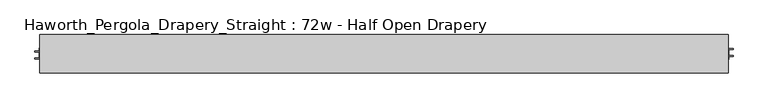
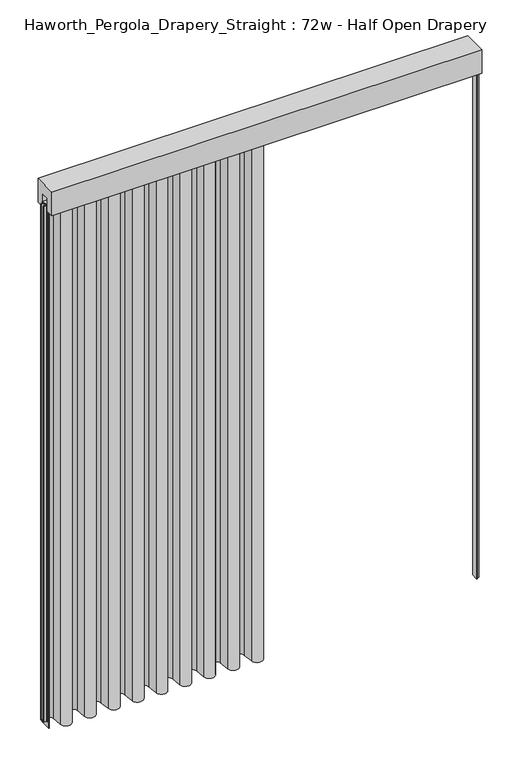
"""IFC4 building model written with IfcOpenShell, lengths in millimetres: furniture geometry, Haworth_Pergola_Drapery_Straight : 72w - Half Open Drapery."""

from ifc_helpers import new_model, si_unit, point, frame, frame_2d, origin, place, context, project, spatial, polyline, circle_curve, trimmed, segment, composite_curve, outline, extrude, source, transform, mapped, element, save


def haworth_pergola_drapery_straight_72w_half_open_drapery_7046c77f(model_context):
    return source(origin(), model_context, "Body", "SweptSolid", [
        extrude(outline(polyline([(50.8, 2438.4), (50.8, 2331.8390625), (15.2182948, 2331.8390625), (15.2182948, 2388.7001663), (-15.2182948, 2388.7001663), (-15.2182948, 2331.8390625), (-50.8, 2331.8390625), (-50.8, 2438.4), (50.8, 2438.4)])), frame((-1790.7, 0.0, 0.0), z_axis=(1.0, 0.0, 0.0), x_axis=(0.0, 1.0, 0.0)), (0.0, 0.0, 1.0), 1828.8),
        extrude(outline(composite_curve([segment(trimmed(circle_curve(frame_2d((-1765.2970217, 20.9840165)), 23.4029783), [point((-1788.7, 20.9840165))], [point((-1741.9892377, 23.0927114))], False, "CARTESIAN"), True, "CONTINUOUS"), segment(polyline([(-1741.9892377, 23.0927114), (-1737.7895802, -23.3268581)]), True, "CONTINUOUS"), segment(trimmed(circle_curve(frame_2d((-1714.5, -21.2198101)), 23.3847), [point((-1737.7895802, -23.3268581))], [point((-1691.2104196, -23.3268558))], True, "CARTESIAN"), True, "CONTINUOUS"), segment(polyline([(-1691.2104196, -23.3268558), (-1687.0203818, 22.9864352)]), True, "CONTINUOUS"), segment(trimmed(circle_curve(frame_2d((-1663.7000023, 20.876603)), 23.415625), [point((-1687.0203818, 22.9864352))], [point((-1640.3796229, 22.9864375))], False, "CARTESIAN"), True, "CONTINUOUS"), segment(polyline([(-1640.3796229, 22.9864375), (-1636.2203794, -22.986429)]), True, "CONTINUOUS"), segment(trimmed(circle_curve(frame_2d((-1612.9, -20.8765946)), 23.415625), [point((-1636.2203794, -22.986429))], [point((-1589.5796205, -22.9864268))], True, "CARTESIAN"), True, "CONTINUOUS"), segment(polyline([(-1589.5796205, -22.9864268), (-1585.4203818, 22.9864354)]), True, "CONTINUOUS"), segment(trimmed(circle_curve(frame_2d((-1562.1000023, 20.8766032)), 23.415625), [point((-1585.4203818, 22.9864354))], [point((-1538.7796229, 22.9864377))], False, "CARTESIAN"), True, "CONTINUOUS"), segment(polyline([(-1538.7796229, 22.9864377), (-1534.6203794, -22.9864294)]), True, "CONTINUOUS"), segment(trimmed(circle_curve(frame_2d((-1511.3, -20.876595)), 23.415625), [point((-1534.6203794, -22.9864294))], [point((-1487.9796205, -22.9864271))], True, "CARTESIAN"), True, "CONTINUOUS"), segment(polyline([(-1487.9796205, -22.9864271), (-1483.8203818, 22.9864352)]), True, "CONTINUOUS"), segment(trimmed(circle_curve(frame_2d((-1460.5000023, 20.876603)), 23.415625), [point((-1483.8203818, 22.9864352))], [point((-1437.1796229, 22.9864375))], False, "CARTESIAN"), True, "CONTINUOUS"), segment(polyline([(-1437.1796229, 22.9864375), (-1432.9895802, -23.3268581)]), True, "CONTINUOUS"), segment(trimmed(circle_curve(frame_2d((-1409.7, -21.2198101)), 23.3847), [point((-1432.9895802, -23.3268581))], [point((-1386.4104196, -23.3268558))], True, "CARTESIAN"), True, "CONTINUOUS"), segment(polyline([(-1386.4104196, -23.3268558), (-1382.2203818, 22.9864352)]), True, "CONTINUOUS"), segment(trimmed(circle_curve(frame_2d((-1358.9000023, 20.876603)), 23.415625), [point((-1382.2203818, 22.9864352))], [point((-1335.5796229, 22.9864375))], False, "CARTESIAN"), True, "CONTINUOUS"), segment(polyline([(-1335.5796229, 22.9864375), (-1331.3895802, -23.3268581)]), True, "CONTINUOUS"), segment(trimmed(circle_curve(frame_2d((-1308.1, -21.2198101)), 23.3847), [point((-1331.3895802, -23.3268581))], [point((-1284.8104196, -23.3268558))], True, "CARTESIAN"), True, "CONTINUOUS"), segment(polyline([(-1284.8104196, -23.3268558), (-1280.6203818, 22.9864352)]), True, "CONTINUOUS"), segment(trimmed(circle_curve(frame_2d((-1257.3000023, 20.876603)), 23.415625), [point((-1280.6203818, 22.9864352))], [point((-1233.9796229, 22.9864375))], False, "CARTESIAN"), True, "CONTINUOUS"), segment(polyline([(-1233.9796229, 22.9864375), (-1229.7895802, -23.3268581)]), True, "CONTINUOUS"), segment(trimmed(circle_curve(frame_2d((-1206.5, -21.2198101)), 23.3847), [point((-1229.7895802, -23.3268581))], [point((-1183.2104196, -23.3268558))], True, "CARTESIAN"), True, "CONTINUOUS"), segment(polyline([(-1183.2104196, -23.3268558), (-1179.0203818, 22.9864352)]), True, "CONTINUOUS"), segment(trimmed(circle_curve(frame_2d((-1155.7000023, 20.876603)), 23.415625), [point((-1179.0203818, 22.9864352))], [point((-1132.3796229, 22.9864375))], False, "CARTESIAN"), True, "CONTINUOUS"), segment(polyline([(-1132.3796229, 22.9864375), (-1128.1895802, -23.3268581)]), True, "CONTINUOUS"), segment(trimmed(circle_curve(frame_2d((-1104.9, -21.2198101)), 23.3847), [point((-1128.1895802, -23.3268581))], [point((-1081.6104196, -23.3268558))], True, "CARTESIAN"), True, "CONTINUOUS"), segment(polyline([(-1081.6104196, -23.3268558), (-1077.4203818, 22.9864352)]), True, "CONTINUOUS"), segment(trimmed(circle_curve(frame_2d((-1054.1000023, 20.876603)), 23.415625), [point((-1077.4203818, 22.9864352))], [point((-1030.7796229, 22.9864375))], False, "CARTESIAN"), True, "CONTINUOUS"), segment(polyline([(-1030.7796229, 22.9864375), (-1026.5895802, -23.3268581)]), True, "CONTINUOUS"), segment(trimmed(circle_curve(frame_2d((-1003.3, -21.2198101)), 23.3847), [point((-1026.5895802, -23.3268581))], [point((-980.0104196, -23.3268558))], True, "CARTESIAN"), True, "CONTINUOUS"), segment(polyline([(-980.0104196, -23.3268558), (-975.8203818, 22.9864352)]), True, "CONTINUOUS"), segment(trimmed(circle_curve(frame_2d((-952.5000023, 20.876603)), 23.415625), [point((-975.8203818, 22.9864352))], [point((-929.1796229, 22.9864375))], False, "CARTESIAN"), True, "CONTINUOUS"), segment(polyline([(-929.1796229, 22.9864375), (-924.9895802, -23.3268581)]), True, "CONTINUOUS"), segment(trimmed(circle_curve(frame_2d((-901.7, -21.2198101)), 23.3847), [point((-924.9895802, -23.3268581))], [point((-878.4104196, -23.3268558))], True, "CARTESIAN"), True, "CONTINUOUS"), segment(polyline([(-878.4104196, -23.3268558), (-876.7308594, -4.7623547), (-876.7308594, 25.4000007), (-875.9371094, 25.4000007), (-875.9371094, -4.7981874), (-877.6198983, -23.3983756)]), True, "CONTINUOUS"), segment(trimmed(circle_curve(frame_2d((-901.7, -21.2198101)), 24.17845), [point((-877.6198983, -23.3983756))], [point((-925.7801015, -23.3983779))], False, "CARTESIAN"), True, "CONTINUOUS"), segment(polyline([(-925.7801015, -23.3983779), (-929.9701443, 22.9149177)]), True, "CONTINUOUS"), segment(trimmed(circle_curve(frame_2d((-952.5000023, 20.876603)), 22.621875), [point((-929.9701443, 22.9149177))], [point((-975.0298605, 22.9149155))], True, "CARTESIAN"), True, "CONTINUOUS"), segment(polyline([(-975.0298605, 22.9149155), (-979.2198983, -23.3983756)]), True, "CONTINUOUS"), segment(trimmed(circle_curve(frame_2d((-1003.3, -21.2198101)), 24.17845), [point((-979.2198983, -23.3983756))], [point((-1027.3801015, -23.3983779))], False, "CARTESIAN"), True, "CONTINUOUS"), segment(polyline([(-1027.3801015, -23.3983779), (-1031.5701443, 22.9149177)]), True, "CONTINUOUS"), segment(trimmed(circle_curve(frame_2d((-1054.1000023, 20.876603)), 22.621875), [point((-1031.5701443, 22.9149177))], [point((-1076.6298605, 22.9149155))], True, "CARTESIAN"), True, "CONTINUOUS"), segment(polyline([(-1076.6298605, 22.9149155), (-1080.8198983, -23.3983756)]), True, "CONTINUOUS"), segment(trimmed(circle_curve(frame_2d((-1104.9, -21.2198101)), 24.17845), [point((-1080.8198983, -23.3983756))], [point((-1128.9801015, -23.3983779))], False, "CARTESIAN"), True, "CONTINUOUS"), segment(polyline([(-1128.9801015, -23.3983779), (-1133.1701443, 22.9149177)]), True, "CONTINUOUS"), segment(trimmed(circle_curve(frame_2d((-1155.7000023, 20.876603)), 22.621875), [point((-1133.1701443, 22.9149177))], [point((-1178.2298605, 22.9149155))], True, "CARTESIAN"), True, "CONTINUOUS"), segment(polyline([(-1178.2298605, 22.9149155), (-1182.4198983, -23.3983756)]), True, "CONTINUOUS"), segment(trimmed(circle_curve(frame_2d((-1206.5, -21.2198101)), 24.17845), [point((-1182.4198983, -23.3983756))], [point((-1230.5801015, -23.3983779))], False, "CARTESIAN"), True, "CONTINUOUS"), segment(polyline([(-1230.5801015, -23.3983779), (-1234.7701443, 22.9149177)]), True, "CONTINUOUS"), segment(trimmed(circle_curve(frame_2d((-1257.3000023, 20.876603)), 22.621875), [point((-1234.7701443, 22.9149177))], [point((-1279.8298605, 22.9149155))], True, "CARTESIAN"), True, "CONTINUOUS"), segment(polyline([(-1279.8298605, 22.9149155), (-1284.0198983, -23.3983756)]), True, "CONTINUOUS"), segment(trimmed(circle_curve(frame_2d((-1308.1, -21.2198101)), 24.17845), [point((-1284.0198983, -23.3983756))], [point((-1332.1801015, -23.3983779))], False, "CARTESIAN"), True, "CONTINUOUS"), segment(polyline([(-1332.1801015, -23.3983779), (-1336.3701443, 22.9149177)]), True, "CONTINUOUS"), segment(trimmed(circle_curve(frame_2d((-1358.9000023, 20.876603)), 22.621875), [point((-1336.3701443, 22.9149177))], [point((-1381.4298605, 22.9149155))], True, "CARTESIAN"), True, "CONTINUOUS"), segment(polyline([(-1381.4298605, 22.9149155), (-1385.6198983, -23.3983756)]), True, "CONTINUOUS"), segment(trimmed(circle_curve(frame_2d((-1409.7, -21.2198101)), 24.17845), [point((-1385.6198983, -23.3983756))], [point((-1433.7801015, -23.3983779))], False, "CARTESIAN"), True, "CONTINUOUS"), segment(polyline([(-1433.7801015, -23.3983779), (-1437.9701443, 22.9149177)]), True, "CONTINUOUS"), segment(trimmed(circle_curve(frame_2d((-1460.5000023, 20.876603)), 22.621875), [point((-1437.9701443, 22.9149177))], [point((-1483.0298605, 22.9149155))], True, "CARTESIAN"), True, "CONTINUOUS"), segment(polyline([(-1483.0298605, 22.9149155), (-1487.1890991, -23.0579469)]), True, "CONTINUOUS"), segment(trimmed(circle_curve(frame_2d((-1511.3, -20.876595)), 24.209375), [point((-1487.1890991, -23.0579469))], [point((-1535.4109007, -23.0579492))], False, "CARTESIAN"), True, "CONTINUOUS"), segment(polyline([(-1535.4109007, -23.0579492), (-1539.5701443, 22.9149178)]), True, "CONTINUOUS"), segment(trimmed(circle_curve(frame_2d((-1562.1000023, 20.8766032)), 22.621875), [point((-1539.5701443, 22.9149178))], [point((-1584.6298605, 22.9149157))], True, "CARTESIAN"), True, "CONTINUOUS"), segment(polyline([(-1584.6298605, 22.9149157), (-1588.7890991, -23.0579465)]), True, "CONTINUOUS"), segment(trimmed(circle_curve(frame_2d((-1612.9, -20.8765946)), 24.209375), [point((-1588.7890991, -23.0579465))], [point((-1637.0109007, -23.0579488))], False, "CARTESIAN"), True, "CONTINUOUS"), segment(polyline([(-1637.0109007, -23.0579488), (-1641.1701443, 22.9149177)]), True, "CONTINUOUS"), segment(trimmed(circle_curve(frame_2d((-1663.7000023, 20.876603)), 22.621875), [point((-1641.1701443, 22.9149177))], [point((-1686.2298605, 22.9149155))], True, "CARTESIAN"), True, "CONTINUOUS"), segment(polyline([(-1686.2298605, 22.9149155), (-1690.4198983, -23.3983756)]), True, "CONTINUOUS"), segment(trimmed(circle_curve(frame_2d((-1714.5, -21.2198101)), 24.17845), [point((-1690.4198983, -23.3983756))], [point((-1738.5801015, -23.3983779))], False, "CARTESIAN"), True, "CONTINUOUS"), segment(polyline([(-1738.5801015, -23.3983779), (-1742.779759, 23.0211916)]), True, "CONTINUOUS"), segment(trimmed(circle_curve(frame_2d((-1765.2970217, 20.9840165)), 22.6092283), [point((-1742.779759, 23.0211916))], [point((-1787.90625, 20.9840165))], True, "CARTESIAN"), True, "CONTINUOUS"), segment(polyline([(-1787.90625, 20.9840165), (-1787.90625, -25.4000008), (-1788.7, -25.4000008), (-1788.7, 20.9840165)]), True, "CONTINUOUS")], self_intersect=False)), frame((0.0, 0.0, 12.7), z_axis=(0.0, 0.0, 1.0), x_axis=(1.0, 0.0, 0.0)), (0.0, 0.0, 1.0), 2343.15),
        extrude(outline(polyline([(-1790.7, 15.2249995), (38.1, 15.2249995), (38.1, -15.2249996), (-1790.7, -15.2249996), (-1790.7, 15.2249995)])), frame((0.0, 0.0, 2355.85), z_axis=(0.0, 0.0, 1.0), x_axis=(1.0, 0.0, 0.0)), (0.0, 0.0, 1.0), 1.7500385),
        extrude(outline(polyline([(38.1, 15.2249996), (39.8500001, 15.2249996), (39.8500001, 13.3999997), (51.3499997, 13.3999997), (51.3499997, 11.8250005), (39.8500001, 11.8250005), (39.8500001, -4.8250001), (51.4999997, -4.8250001), (51.4999997, -7.8249998), (39.8500001, -7.8249998), (39.8500001, -15.2249995), (38.1, -15.2249995), (38.1, 15.2249996)])), frame((0.0, 0.0, 38.1), z_axis=(0.0, 0.0, 1.0), x_axis=(1.0, 0.0, 0.0)), (0.0, 0.0, 1.0), 2317.75),
        extrude(outline(polyline([(-1790.7, -15.2249996), (-1792.4500001, -15.2249996), (-1792.4500001, -13.3999997), (-1803.9499997, -13.3999997), (-1803.9499997, -11.8250005), (-1792.4500001, -11.8250005), (-1792.4500001, 4.8250001), (-1804.0999997, 4.8250001), (-1804.0999997, 7.8249998), (-1792.4500001, 7.8249998), (-1792.4500001, 15.2249995), (-1790.7, 15.2249995), (-1790.7, -15.2249996)])), frame((0.0, 0.0, 38.1), z_axis=(0.0, 0.0, 1.0), x_axis=(1.0, 0.0, 0.0)), (0.0, 0.0, 1.0), 2317.75),
        extrude(outline(composite_curve([segment(trimmed(circle_curve(frame_2d((-876.3, 0.0)), 6.0), [point((-882.3, 0.0))], [point((-870.3, 0.0))], False, "CARTESIAN"), True, "CONTINUOUS"), segment(trimmed(circle_curve(frame_2d((-876.3, 0.0)), 6.0), [point((-870.3, 0.0))], [point((-882.3, 0.0))], False, "CARTESIAN"), True, "CONTINUOUS")], self_intersect=False)), frame((0.0, 0.0, 2319.1390625), z_axis=(0.0, 0.0, 1.0), x_axis=(1.0, 0.0, 0.0)), (0.0, 0.0, 1.0), 36.7109375),
    ])


if __name__ == "__main__":
    model = new_model("IFC4")
    model_context = context("Model", 3, world=origin())
    ifc_project = project(units=[si_unit("LENGTHUNIT", "METRE", prefix="MILLI")], contexts=[model_context])
    site = spatial("IfcSite", under=ifc_project)
    building = spatial("IfcBuilding", under=site)
    placement = place(None, origin())
    haworth_pergola_drapery_straight_72w_half_open_drapery_shape = haworth_pergola_drapery_straight_72w_half_open_drapery_7046c77f(model_context)
    element("IfcFurniture", 1, ObjectType="Haworth_Pergola_Drapery_Straight : 72w - Half Open Drapery", at=placement, inside=building, context=model_context, shape_type="MappedRepresentation", body=[
        mapped(haworth_pergola_drapery_straight_72w_half_open_drapery_shape, transform((0.0, 0.0, 0.0), x_axis=(1.0, 0.0, 0.0), y_axis=(0.0, 1.0, 0.0), z_axis=(0.0, 0.0, 1.0))),
    ])
    save(model, "model.ifc")
